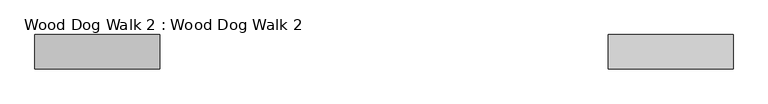
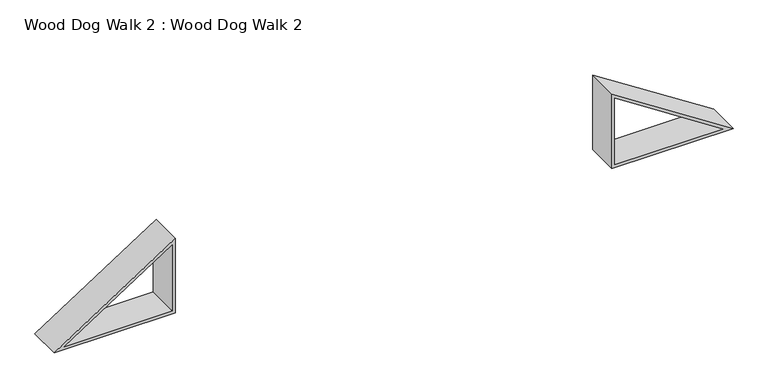
"""IFC4 building model written with IfcOpenShell, lengths in millimetres: proxy geometry, Wood Dog Walk 2 : Wood Dog Walk 2."""

from ifc_helpers import new_model, si_unit, frame, origin, place, context, project, spatial, polyline, outline, extrude, source, transform, mapped, element, save


def wood_dog_walk_2_wood_dog_walk_2_137776eb(model_context):
    return source(origin(), model_context, "Body", "SweptSolid", [
        extrude(outline(polyline([(254.0, 259452.7001106), (914.4, 259452.7001106), (254.0, 258436.7001106), (254.0, 259452.7001106)]), holes=[polyline([(867.5957745, 259427.3001106), (279.4, 259427.3001106), (279.4, 258522.3835345), (867.5957745, 259427.3001106)])]), frame((0.0, 26752.5556164, 0.0), z_axis=(0.0, 1.0, 0.0), x_axis=(0.0, 0.0, 1.0)), (0.0, 0.0, 1.0), 279.4),
        extrude(outline(polyline([(254.0, 263110.3001106), (254.0, 264126.3001106), (914.4, 263110.3001106), (254.0, 263110.3001106)]), holes=[polyline([(867.5957745, 263135.7001106), (279.4, 264040.6166867), (279.4, 263135.7001106), (867.5957745, 263135.7001106)])]), frame((0.0, 26752.5556164, 0.0), z_axis=(0.0, 1.0, 0.0), x_axis=(0.0, 0.0, 1.0)), (0.0, 0.0, 1.0), 279.4),
    ])


if __name__ == "__main__":
    model = new_model("IFC4")
    model_context = context("Model", 3, world=origin())
    ifc_project = project(units=[si_unit("LENGTHUNIT", "METRE", prefix="MILLI")], contexts=[model_context])
    site = spatial("IfcSite", under=ifc_project)
    building = spatial("IfcBuilding", under=site)
    placement = place(None, origin())
    wood_dog_walk_2_wood_dog_walk_2_shape = wood_dog_walk_2_wood_dog_walk_2_137776eb(model_context)
    element("IfcBuildingElementProxy", 1, Name="Wood Dog Walk 2 : Wood Dog Walk 2", ObjectType="Wood Dog Walk 2 : Wood Dog Walk 2", at=placement, inside=building, context=model_context, shape_type="MappedRepresentation", body=[
        mapped(wood_dog_walk_2_wood_dog_walk_2_shape, transform((0.0, 0.0, 0.0), x_axis=(1.0, 0.0, 0.0), y_axis=(0.0, 1.0, 0.0), z_axis=(0.0, 0.0, 1.0))),
    ])
    save(model, "model.ifc")
